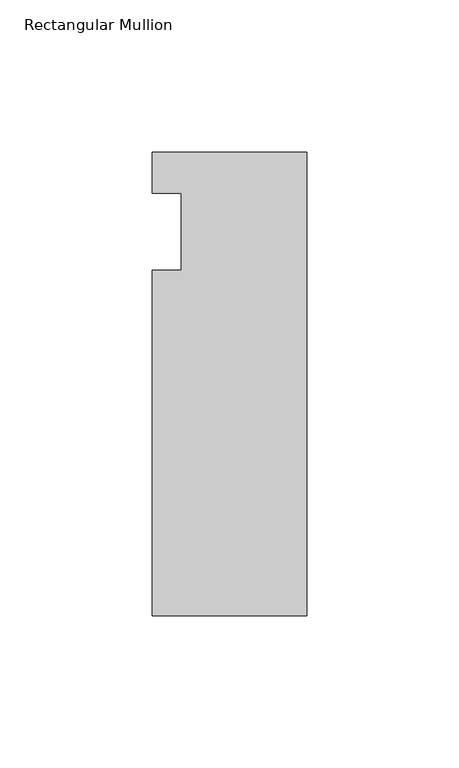
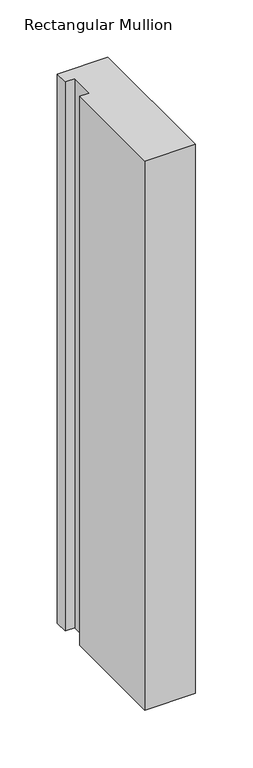
"""IFC4 building model written with IfcOpenShell, lengths in millimetres: member geometry, Rectangular Mullion."""

import ifcopenshell
import ifcopenshell.guid

model = None  # the IFC model being written
_history = None  # IfcOwnerHistory: only IFC2X3 demands one
_inside = {}  # id of a spatial element -> (the spatial element, [elements in it])
_under = {}  # id of a project, library or spatial element -> (it, [spatial elements below it])
_declared = {}  # id of a project -> (the project, [libraries it declares])
_typed = {}  # id of a type object -> (the type object, [elements of that type])
_made_of = {}  # id of a material, layer set ... -> (it, [elements and type objects made of it])


def new_model(schema):
    """Start an empty IFC model of exactly this schema.

    Asked for "IFC4X3", IfcOpenShell would pick the latest addendum, in which some entities
    have other attributes; the version numbers below select the first issue.
    IFC2X3 requires an IfcOwnerHistory on every rooted entity: one is made here for all.
    """
    global model, _history
    if schema == "IFC4X3":
        model = ifcopenshell.file(schema_version=(4, 3, 0, 0))
    else:
        model = ifcopenshell.file(schema=schema)
    _inside.clear()
    _under.clear()
    _declared.clear()
    _typed.clear()
    _made_of.clear()
    _history = None
    if model.schema == "IFC2X3":
        org = make("IfcOrganization", Name="unknown")
        user = make(
            "IfcPersonAndOrganization",
            ThePerson=make("IfcPerson", FamilyName="unknown"),
            TheOrganization=org,
        )
        app = make(
            "IfcApplication",
            ApplicationDeveloper=org,
            Version="unknown",
            ApplicationFullName="unknown",
            ApplicationIdentifier="unknown",
        )
        _history = make(
            "IfcOwnerHistory",
            OwningUser=user,
            OwningApplication=app,
            ChangeAction="ADDED",
            CreationDate=0,
        )
    return model


def make(cls, **values):
    """One entity of the class cls with the attributes given. An attribute that is None is left unset."""
    return model.create_entity(
        cls, **{name: value for name, value in values.items() if value is not None}
    )


def rooted(cls, **values):
    """An entity with a GlobalId (a new one), such as an element, a storey or a relation."""
    return make(cls, GlobalId=ifcopenshell.guid.new(), OwnerHistory=_history, **values)


def si_unit(unit_type, name, prefix=None):
    """IfcSIUnit, for example si_unit("LENGTHUNIT", "METRE", prefix="MILLI")."""
    return make("IfcSIUnit", UnitType=unit_type, Prefix=prefix, Name=name)


def assignment(units):
    """IfcUnitAssignment: the units of a project."""
    return None if units is None else make("IfcUnitAssignment", Units=units)


def point(xyz):
    """IfcCartesianPoint."""
    return None if xyz is None else make("IfcCartesianPoint", Coordinates=xyz)


def direction(xyz):
    """IfcDirection."""
    return None if xyz is None else make("IfcDirection", DirectionRatios=xyz)


def frame(location, z_axis=None, x_axis=None):
    """IfcAxis2Placement3D, a coordinate frame: its origin and axes. An axis left out is left unset."""
    return make(
        "IfcAxis2Placement3D",
        Location=point(location),
        Axis=direction(z_axis),
        RefDirection=direction(x_axis),
    )


def origin():
    """The frame at (0, 0, 0) with its axes left unset."""
    return frame((0.0, 0.0, 0.0))


def place(relative_to, where):
    """IfcLocalPlacement: puts the frame where relative to a parent placement (None: the world)."""
    return make(
        "IfcLocalPlacement", PlacementRelTo=relative_to, RelativePlacement=where
    )


def context(
    kind, dimensions, precision=None, world=None, true_north=None, identifier=None
):
    """IfcGeometricRepresentationContext, for example the 3D "Model" context."""
    return make(
        "IfcGeometricRepresentationContext",
        ContextIdentifier=identifier,
        ContextType=kind,
        CoordinateSpaceDimension=dimensions,
        Precision=precision,
        WorldCoordinateSystem=world,
        TrueNorth=true_north,
    )


def project(units=None, contexts=None):
    """IfcProject with its units and contexts."""
    return rooted(
        "IfcProject",
        Name="project",
        RepresentationContexts=contexts,
        UnitsInContext=assignment(units),
    )


def spatial(cls, under=None, at=None, **own):
    """A site, building, storey or space (cls), placed at a placement, below another one or the project."""
    s = rooted(cls, ObjectPlacement=at, **own)
    if under is not None:
        _under.setdefault(under.id(), (under, []))[1].append(s)
    return s


def polyline(points):
    """IfcPolyline through the points."""
    return make("IfcPolyline", Points=[point(p) for p in points])


def outline(outer, holes=None, kind="AREA"):
    """IfcArbitraryClosedProfileDef: a profile drawn as a closed curve; with holes, ...WithVoids."""
    if holes is None:
        return make("IfcArbitraryClosedProfileDef", ProfileType=kind, OuterCurve=outer)
    return make(
        "IfcArbitraryProfileDefWithVoids",
        ProfileType=kind,
        OuterCurve=outer,
        InnerCurves=holes,
    )


def extrude(swept, where, along, depth):
    """IfcExtrudedAreaSolid: the profile swept, set in the frame where, extruded along a direction by depth."""
    return make(
        "IfcExtrudedAreaSolid",
        SweptArea=swept,
        Position=where,
        ExtrudedDirection=direction(along),
        Depth=depth,
    )


def shape(context_of_items, identifier, shape_type, items):
    """IfcShapeRepresentation: the items that make up one representation, for example the "Body"."""
    return make(
        "IfcShapeRepresentation",
        ContextOfItems=context_of_items,
        RepresentationIdentifier=identifier,
        RepresentationType=shape_type,
        Items=items,
    )


def source(mapping_origin, context_of_items, identifier, shape_type, items):
    """IfcRepresentationMap: a shape defined once, which mapped items show again and again."""
    return make(
        "IfcRepresentationMap",
        MappingOrigin=mapping_origin,
        MappedRepresentation=shape(context_of_items, identifier, shape_type, items),
    )


def transform(
    local_origin,
    x_axis=None,
    y_axis=None,
    z_axis=None,
    scale=None,
    scale2=None,
    scale3=None,
    uniform=True,
):
    """IfcCartesianTransformationOperator3D, or its non-uniform kind. x_axis, y_axis, z_axis: its Axis1, 2, 3."""
    if uniform:
        return make(
            "IfcCartesianTransformationOperator3D",
            Axis1=direction(x_axis),
            Axis2=direction(y_axis),
            LocalOrigin=point(local_origin),
            Scale=scale,
            Axis3=direction(z_axis),
        )
    return make(
        "IfcCartesianTransformationOperator3DnonUniform",
        Axis1=direction(x_axis),
        Axis2=direction(y_axis),
        LocalOrigin=point(local_origin),
        Scale=scale,
        Axis3=direction(z_axis),
        Scale2=scale2,
        Scale3=scale3,
    )


def mapped(mapping_source, mapping_target):
    """IfcMappedItem: shows the shape of a source again, moved by a transform."""
    return make(
        "IfcMappedItem", MappingSource=mapping_source, MappingTarget=mapping_target
    )


def made_of(thing, what):
    """Note that an element or type object is made of a material, layer set ...; save() writes the relation."""
    if what is not None:
        _made_of.setdefault(what.id(), (what, []))[1].append(thing)
    return thing


def element(
    cls,
    number,
    at=None,
    inside=None,
    cuts=None,
    type_object=None,
    material=None,
    context=None,
    identifier="Body",
    shape_type=None,
    held_by="IfcProductDefinitionShape",
    body=None,
    shapes=None,
    **own,
):
    """One element of the class cls, such as IfcWall. Its Tag is "e" and its number.

    at: its placement. inside: the storey or other place that contains it. cuts: it is an
    opening in that element (IfcRelVoidsElement). A single representation is given by context,
    identifier, shape_type and body (its items); several are given by shapes. held_by: the class
    of the entity that holds the representations. save() writes the other relations.
    """
    e = rooted(cls, Tag="e%d" % number, ObjectPlacement=at, **own)
    if body is not None:
        shapes = [shape(context, identifier, shape_type, body)]
    if shapes is not None:
        e.Representation = make(held_by, Representations=shapes)
    if inside is not None:
        _inside.setdefault(inside.id(), (inside, []))[1].append(e)
    if cuts is not None:
        rooted(
            "IfcRelVoidsElement", RelatingBuildingElement=cuts, RelatedOpeningElement=e
        )
    if type_object is not None:
        _typed.setdefault(type_object.id(), (type_object, []))[1].append(e)
    return made_of(e, material)


def aggregate(whole, parts):
    """IfcRelAggregates: a whole, such as a stair, and the parts it consists of."""
    return rooted("IfcRelAggregates", RelatingObject=whole, RelatedObjects=parts)


def save(model, path):
    """Write the relations noted so far, then the file.

    IfcRelAggregates (storeys below a building ...), IfcRelContainedInSpatialStructure (elements
    in a storey), IfcRelDefinesByType, IfcRelAssociatesMaterial and IfcRelDeclares: one each for
    every whole, place, type object, material and project.
    """
    for whole, parts in _under.values():
        aggregate(whole, parts)
    for where, things in _inside.values():
        rooted(
            "IfcRelContainedInSpatialStructure",
            RelatedElements=things,
            RelatingStructure=where,
        )
    for kind, things in _typed.values():
        rooted("IfcRelDefinesByType", RelatedObjects=things, RelatingType=kind)
    for what, things in _made_of.values():
        rooted("IfcRelAssociatesMaterial", RelatedObjects=things, RelatingMaterial=what)
    for by, libraries in _declared.values():
        rooted("IfcRelDeclares", RelatingContext=by, RelatedDefinitions=libraries)
    model.write(path)


def rectangular_mullion_37cd1a84(model_context):
    return source(origin(), model_context, "Body", "SweptSolid", [
        extrude(outline(polyline([(0.0, 26.19375), (0.0, -126.20625), (-50.8, -126.20625), (-50.8, -12.7), (-41.275, -12.7), (-41.275, 12.7), (-50.8, 12.7), (-50.8, 26.19375), (0.0, 26.19375)])), frame((0.0, 0.0, -584.2), z_axis=(0.0, 0.0, 1.0), x_axis=(1.0, 0.0, 0.0)), (0.0, 0.0, 1.0), 584.2),
    ])


if __name__ == "__main__":
    model = new_model("IFC4")
    model_context = context("Model", 3, world=origin())
    ifc_project = project(units=[si_unit("LENGTHUNIT", "METRE", prefix="MILLI")], contexts=[model_context])
    site = spatial("IfcSite", under=ifc_project)
    building = spatial("IfcBuilding", under=site)
    placement = place(None, origin())
    rectangular_mullion_shape = rectangular_mullion_37cd1a84(model_context)
    element("IfcMember", 1, ObjectType="Rectangular Mullion", at=placement, inside=building, context=model_context, shape_type="MappedRepresentation", body=[
        mapped(rectangular_mullion_shape, transform((0.0, 0.0, 0.0), x_axis=(1.0, 0.0, 0.0), y_axis=(0.0, 1.0, 0.0), z_axis=(0.0, 0.0, 1.0))),
    ])
    save(model, "model.ifc")
